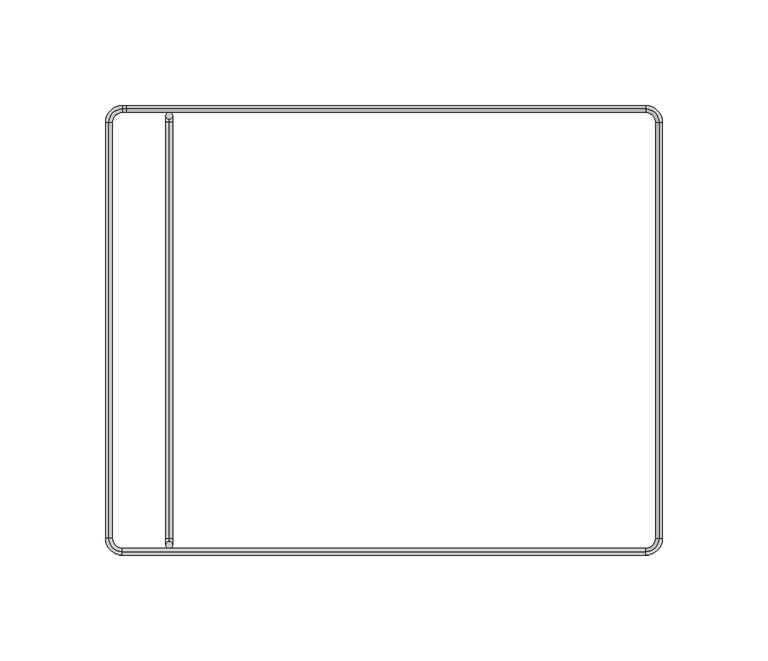
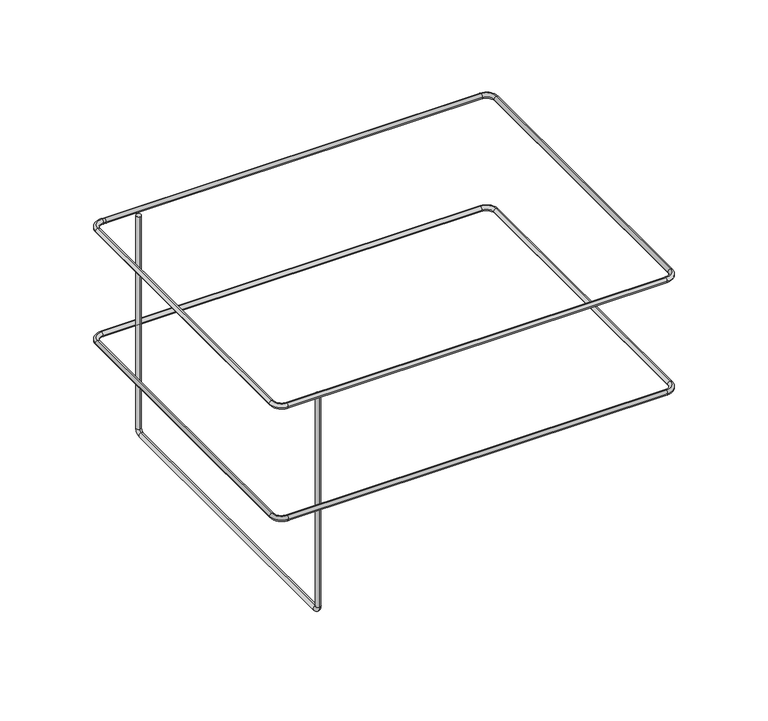
"""IFC4 building model written with IfcOpenShell, lengths in millimetres: furniture geometry."""

import ifcopenshell
import ifcopenshell.guid

model = None  # the IFC model being written
_history = None  # IfcOwnerHistory: only IFC2X3 demands one
_inside = {}  # id of a spatial element -> (the spatial element, [elements in it])
_under = {}  # id of a project, library or spatial element -> (it, [spatial elements below it])
_declared = {}  # id of a project -> (the project, [libraries it declares])
_typed = {}  # id of a type object -> (the type object, [elements of that type])
_made_of = {}  # id of a material, layer set ... -> (it, [elements and type objects made of it])


def new_model(schema):
    """Start an empty IFC model of exactly this schema.

    Asked for "IFC4X3", IfcOpenShell would pick the latest addendum, in which some entities
    have other attributes; the version numbers below select the first issue.
    IFC2X3 requires an IfcOwnerHistory on every rooted entity: one is made here for all.
    """
    global model, _history
    if schema == "IFC4X3":
        model = ifcopenshell.file(schema_version=(4, 3, 0, 0))
    else:
        model = ifcopenshell.file(schema=schema)
    _inside.clear()
    _under.clear()
    _declared.clear()
    _typed.clear()
    _made_of.clear()
    _history = None
    if model.schema == "IFC2X3":
        org = make("IfcOrganization", Name="unknown")
        user = make(
            "IfcPersonAndOrganization",
            ThePerson=make("IfcPerson", FamilyName="unknown"),
            TheOrganization=org,
        )
        app = make(
            "IfcApplication",
            ApplicationDeveloper=org,
            Version="unknown",
            ApplicationFullName="unknown",
            ApplicationIdentifier="unknown",
        )
        _history = make(
            "IfcOwnerHistory",
            OwningUser=user,
            OwningApplication=app,
            ChangeAction="ADDED",
            CreationDate=0,
        )
    return model


def make(cls, **values):
    """One entity of the class cls with the attributes given. An attribute that is None is left unset."""
    return model.create_entity(
        cls, **{name: value for name, value in values.items() if value is not None}
    )


def rooted(cls, **values):
    """An entity with a GlobalId (a new one), such as an element, a storey or a relation."""
    return make(cls, GlobalId=ifcopenshell.guid.new(), OwnerHistory=_history, **values)


def si_unit(unit_type, name, prefix=None):
    """IfcSIUnit, for example si_unit("LENGTHUNIT", "METRE", prefix="MILLI")."""
    return make("IfcSIUnit", UnitType=unit_type, Prefix=prefix, Name=name)


def assignment(units):
    """IfcUnitAssignment: the units of a project."""
    return None if units is None else make("IfcUnitAssignment", Units=units)


def point(xyz):
    """IfcCartesianPoint."""
    return None if xyz is None else make("IfcCartesianPoint", Coordinates=xyz)


def direction(xyz):
    """IfcDirection."""
    return None if xyz is None else make("IfcDirection", DirectionRatios=xyz)


def frame(location, z_axis=None, x_axis=None):
    """IfcAxis2Placement3D, a coordinate frame: its origin and axes. An axis left out is left unset."""
    return make(
        "IfcAxis2Placement3D",
        Location=point(location),
        Axis=direction(z_axis),
        RefDirection=direction(x_axis),
    )


def origin():
    """The frame at (0, 0, 0) with its axes left unset."""
    return frame((0.0, 0.0, 0.0))


def place(relative_to, where):
    """IfcLocalPlacement: puts the frame where relative to a parent placement (None: the world)."""
    return make(
        "IfcLocalPlacement", PlacementRelTo=relative_to, RelativePlacement=where
    )


def context(
    kind, dimensions, precision=None, world=None, true_north=None, identifier=None
):
    """IfcGeometricRepresentationContext, for example the 3D "Model" context."""
    return make(
        "IfcGeometricRepresentationContext",
        ContextIdentifier=identifier,
        ContextType=kind,
        CoordinateSpaceDimension=dimensions,
        Precision=precision,
        WorldCoordinateSystem=world,
        TrueNorth=true_north,
    )


def project(units=None, contexts=None):
    """IfcProject with its units and contexts."""
    return rooted(
        "IfcProject",
        Name="project",
        RepresentationContexts=contexts,
        UnitsInContext=assignment(units),
    )


def spatial(cls, under=None, at=None, **own):
    """A site, building, storey or space (cls), placed at a placement, below another one or the project."""
    s = rooted(cls, ObjectPlacement=at, **own)
    if under is not None:
        _under.setdefault(under.id(), (under, []))[1].append(s)
    return s


def circle_curve(where, radius):
    """IfcCircle in the frame where."""
    return make("IfcCircle", Position=where, Radius=radius)


def ellipse_curve(where, semi_axis1, semi_axis2):
    """IfcEllipse in the frame where."""
    return make(
        "IfcEllipse", Position=where, SemiAxis1=semi_axis1, SemiAxis2=semi_axis2
    )


def trimmed(basis, trim1, trim2, sense, master):
    """IfcTrimmedCurve: the piece of a basis curve between two trims."""
    return make(
        "IfcTrimmedCurve",
        BasisCurve=basis,
        Trim1=trim1,
        Trim2=trim2,
        SenseAgreement=sense,
        MasterRepresentation=master,
    )


def shape(context_of_items, identifier, shape_type, items):
    """IfcShapeRepresentation: the items that make up one representation, for example the "Body"."""
    return make(
        "IfcShapeRepresentation",
        ContextOfItems=context_of_items,
        RepresentationIdentifier=identifier,
        RepresentationType=shape_type,
        Items=items,
    )


def source(mapping_origin, context_of_items, identifier, shape_type, items):
    """IfcRepresentationMap: a shape defined once, which mapped items show again and again."""
    return make(
        "IfcRepresentationMap",
        MappingOrigin=mapping_origin,
        MappedRepresentation=shape(context_of_items, identifier, shape_type, items),
    )


def transform(
    local_origin,
    x_axis=None,
    y_axis=None,
    z_axis=None,
    scale=None,
    scale2=None,
    scale3=None,
    uniform=True,
):
    """IfcCartesianTransformationOperator3D, or its non-uniform kind. x_axis, y_axis, z_axis: its Axis1, 2, 3."""
    if uniform:
        return make(
            "IfcCartesianTransformationOperator3D",
            Axis1=direction(x_axis),
            Axis2=direction(y_axis),
            LocalOrigin=point(local_origin),
            Scale=scale,
            Axis3=direction(z_axis),
        )
    return make(
        "IfcCartesianTransformationOperator3DnonUniform",
        Axis1=direction(x_axis),
        Axis2=direction(y_axis),
        LocalOrigin=point(local_origin),
        Scale=scale,
        Axis3=direction(z_axis),
        Scale2=scale2,
        Scale3=scale3,
    )


def mapped(mapping_source, mapping_target):
    """IfcMappedItem: shows the shape of a source again, moved by a transform."""
    return make(
        "IfcMappedItem", MappingSource=mapping_source, MappingTarget=mapping_target
    )


def made_of(thing, what):
    """Note that an element or type object is made of a material, layer set ...; save() writes the relation."""
    if what is not None:
        _made_of.setdefault(what.id(), (what, []))[1].append(thing)
    return thing


def element(
    cls,
    number,
    at=None,
    inside=None,
    cuts=None,
    type_object=None,
    material=None,
    context=None,
    identifier="Body",
    shape_type=None,
    held_by="IfcProductDefinitionShape",
    body=None,
    shapes=None,
    **own,
):
    """One element of the class cls, such as IfcWall. Its Tag is "e" and its number.

    at: its placement. inside: the storey or other place that contains it. cuts: it is an
    opening in that element (IfcRelVoidsElement). A single representation is given by context,
    identifier, shape_type and body (its items); several are given by shapes. held_by: the class
    of the entity that holds the representations. save() writes the other relations.
    """
    e = rooted(cls, Tag="e%d" % number, ObjectPlacement=at, **own)
    if body is not None:
        shapes = [shape(context, identifier, shape_type, body)]
    if shapes is not None:
        e.Representation = make(held_by, Representations=shapes)
    if inside is not None:
        _inside.setdefault(inside.id(), (inside, []))[1].append(e)
    if cuts is not None:
        rooted(
            "IfcRelVoidsElement", RelatingBuildingElement=cuts, RelatedOpeningElement=e
        )
    if type_object is not None:
        _typed.setdefault(type_object.id(), (type_object, []))[1].append(e)
    return made_of(e, material)


def aggregate(whole, parts):
    """IfcRelAggregates: a whole, such as a stair, and the parts it consists of."""
    return rooted("IfcRelAggregates", RelatingObject=whole, RelatedObjects=parts)


def save(model, path):
    """Write the relations noted so far, then the file.

    IfcRelAggregates (storeys below a building ...), IfcRelContainedInSpatialStructure (elements
    in a storey), IfcRelDefinesByType, IfcRelAssociatesMaterial and IfcRelDeclares: one each for
    every whole, place, type object, material and project.
    """
    for whole, parts in _under.values():
        aggregate(whole, parts)
    for where, things in _inside.values():
        rooted(
            "IfcRelContainedInSpatialStructure",
            RelatedElements=things,
            RelatingStructure=where,
        )
    for kind, things in _typed.values():
        rooted("IfcRelDefinesByType", RelatedObjects=things, RelatingType=kind)
    for what, things in _made_of.values():
        rooted("IfcRelAssociatesMaterial", RelatedObjects=things, RelatingMaterial=what)
    for by, libraries in _declared.values():
        rooted("IfcRelDeclares", RelatingContext=by, RelatedDefinitions=libraries)
    model.write(path)


def plane_surface(at):
    """IfcPlane: the flat surface through the origin of the frame at, square to its z axis."""
    return make("IfcPlane", Position=at)


def cylinder_surface(at, radius):
    """IfcCylindricalSurface: all points at the distance radius from the z axis of the frame at."""
    return make("IfcCylindricalSurface", Position=at, Radius=radius)


def revolved_surface(curve, axis_point, axis_direction):
    """IfcSurfaceOfRevolution: the curve turned about the line through axis_point along axis_direction."""
    return make(
        "IfcSurfaceOfRevolution",
        SweptCurve=make("IfcArbitraryOpenProfileDef", ProfileType="CURVE", Curve=curve),
        AxisPosition=make("IfcAxis1Placement", Location=point(axis_point), Axis=direction(axis_direction)),
    )


def advanced_brep(points, edges, surfaces, faces):
    """IfcAdvancedBrep: a solid bounded by faces that lie on surfaces and meet in shared edges.

    An edge is (start, end): straight between two places in points (the first is 0);
    or (start, end, curve); or (start, end, curve, False) where it runs against its curve.
    A face is (place in surfaces, loops), or (place, loops, False) where it looks against
    its surface's normal. A loop lists edges by number (the first is 1), with a minus sign
    where the edge is run from its end to its start. The first loop is the outer one.
    """
    corners = [point(p) for p in points]
    vertices = [make("IfcVertexPoint", VertexGeometry=c) for c in corners]
    made = []
    for start, end, *more in edges:
        made.append(
            make(
                "IfcEdgeCurve",
                EdgeStart=vertices[start],
                EdgeEnd=vertices[end],
                EdgeGeometry=more[0] if more else make("IfcPolyline", Points=[corners[start], corners[end]]),
                SameSense=more[1] if len(more) > 1 else True,
            )
        )
    hull = []
    for where, loops, *sense in faces:
        bounds = []
        for j, loop in enumerate(loops):
            ring = [make("IfcOrientedEdge", EdgeElement=made[abs(k) - 1], Orientation=k > 0) for k in loop]
            bounds.append(
                make(
                    "IfcFaceOuterBound" if j == 0 else "IfcFaceBound",
                    Bound=make("IfcEdgeLoop", EdgeList=ring),
                    Orientation=True,
                )
            )
        hull.append(make("IfcAdvancedFace", Bounds=bounds, FaceSurface=surfaces[where], SameSense=sense[0] if sense else True))
    return make("IfcAdvancedBrep", Outer=make("IfcClosedShell", CfsFaces=hull))


def furniture_e32d145b(model_context):
    return source(origin(), model_context, "Body", "AdvancedBrep", [
        advanced_brep(
        [(-101.65588, -144.3898724, 1207.8866133), (-101.65588, -141.2148724, 1207.8866133), (-101.65588, 61.9851276, 1207.8866133), (-101.65588, 58.8101276, 1207.8866133), (-101.65588, -144.3898724, 1061.0687167), (-101.65588, -141.2148724, 1061.0687167), (-101.65588, -139.6273724, 1059.4812167), (-101.65588, -139.6273724, 1056.3062167), (-101.65588, 57.2226276, 1056.3062167), (-101.65588, 57.2226276, 1059.4812167), (-101.65588, 58.8101276, 1061.0687167), (-101.65588, 61.9851276, 1061.0687167)],
        [
            (0, 1, circle_curve(frame((-101.65588, -142.8023724, 1207.8866133), z_axis=(0.0, 0.0, 1.0), x_axis=(1.0, 0.0, 0.0)), 1.5875)),
            (1, 0, circle_curve(frame((-101.65588, -142.8023724, 1207.8866133), z_axis=(0.0, 0.0, 1.0), x_axis=(1.0, 0.0, 0.0)), 1.5875)),
            (2, 3, circle_curve(frame((-101.65588, 60.3976276, 1207.8866133), z_axis=(0.0, 0.0, 1.0), x_axis=(1.0, 0.0, 0.0)), 1.5875)),
            (3, 2, circle_curve(frame((-101.65588, 60.3976276, 1207.8866133), z_axis=(0.0, 0.0, 1.0), x_axis=(1.0, 0.0, 0.0)), 1.5875)),
            (0, 4),
            (4, 5, circle_curve(frame((-101.65588, -142.8023724, 1061.0687167), z_axis=(0.0, 0.0, 1.0), x_axis=(1.0, 0.0, 0.0)), 1.5875)),
            (5, 1),
            (5, 4, circle_curve(frame((-101.65588, -142.8023724, 1061.0687167), z_axis=(0.0, 0.0, 1.0), x_axis=(1.0, 0.0, 0.0)), 1.5875)),
            (6, 7, circle_curve(frame((-101.65588, -139.6273724, 1057.8937167), z_axis=(0.0, 1.0, 0.0), x_axis=(1.0, 0.0, 0.0)), 1.5875)),
            (7, 8),
            (8, 9, circle_curve(frame((-101.65588, 57.2226276, 1057.8937167), z_axis=(0.0, -1.0, 0.0), x_axis=(1.0, 0.0, 0.0)), 1.5875)),
            (9, 6),
            (7, 6, circle_curve(frame((-101.65588, -139.6273724, 1057.8937167), z_axis=(0.0, 1.0, 0.0), x_axis=(1.0, 0.0, 0.0)), 1.5875)),
            (9, 8, circle_curve(frame((-101.65588, 57.2226276, 1057.8937167), z_axis=(0.0, -1.0, 0.0), x_axis=(1.0, 0.0, 0.0)), 1.5875)),
            (10, 11, circle_curve(frame((-101.65588, 60.3976276, 1061.0687167), z_axis=(0.0, 0.0, 1.0), x_axis=(1.0, 0.0, 0.0)), 1.5875)),
            (11, 2),
            (3, 10),
            (11, 10, circle_curve(frame((-101.65588, 60.3976276, 1061.0687167), z_axis=(0.0, 0.0, 1.0), x_axis=(1.0, 0.0, 0.0)), 1.5875)),
            (6, 5, circle_curve(frame((-101.65588, -139.6273724, 1061.0687167), z_axis=(-1.0, 0.0, 0.0), x_axis=(0.0, -1.0, 0.0)), 1.5875)),
            (4, 7, circle_curve(frame((-101.65588, -139.6273724, 1061.0687167), z_axis=(1.0, 0.0, 0.0), x_axis=(0.0, -1.0, 0.0)), 4.7625)),
            (10, 9, circle_curve(frame((-101.65588, 57.2226276, 1061.0687167), z_axis=(-1.0, 0.0, 0.0), x_axis=(0.0, 0.0, -1.0)), 1.5875)),
            (8, 11, circle_curve(frame((-101.65588, 57.2226276, 1061.0687167), z_axis=(1.0, 0.0, 0.0), x_axis=(0.0, 0.0, -1.0)), 4.7625)),
        ],
        [
            plane_surface(frame((-101.65588, -144.3898724, 1207.8866133), z_axis=(0.0, 0.0, 1.0), x_axis=(1.0, 0.0, 0.0))),
            plane_surface(frame((-101.65588, 61.9851276, 1207.8866133), z_axis=(0.0, 0.0, 1.0), x_axis=(1.0, 0.0, 0.0))),
            cylinder_surface(frame((-101.65588, -142.8023724, 1207.8866133), z_axis=(0.0, 0.0, 1.0), x_axis=(1.0, 0.0, 0.0)), 1.5875),
            cylinder_surface(frame((-101.65588, -139.6273724, 1057.8937167), z_axis=(0.0, -1.0, 0.0), x_axis=(1.0, 0.0, 0.0)), 1.5875),
            cylinder_surface(frame((-101.65588, 60.3976276, 1061.0687167), z_axis=(0.0, 0.0, -1.0), x_axis=(1.0, 0.0, 0.0)), 1.5875),
            revolved_surface(trimmed(ellipse_curve(frame((-101.65588, -142.8023724, 1061.0687167), z_axis=(0.0, 0.0, 1.0), x_axis=(1.0, 0.0, 0.0)), 1.5875, 1.5875), [point((-101.65588, -144.3898724, 1061.0687167))], [point((-101.65588, -141.2148724, 1061.0687167))], True, "CARTESIAN"), (-101.65588, -139.6273724, 1061.0687167), (1.0, 0.0, 0.0)),
            revolved_surface(trimmed(ellipse_curve(frame((-101.65588, -142.8023724, 1061.0687167), z_axis=(0.0, 0.0, 1.0), x_axis=(1.0, 0.0, 0.0)), 1.5875, 1.5875), [point((-101.65588, -141.2148724, 1061.0687167))], [point((-101.65588, -144.3898724, 1061.0687167))], True, "CARTESIAN"), (-101.65588, -139.6273724, 1061.0687167), (1.0, 0.0, 0.0)),
            revolved_surface(trimmed(ellipse_curve(frame((-101.65588, 57.2226276, 1057.8937167), z_axis=(0.0, -1.0, 0.0), x_axis=(1.0, 0.0, 0.0)), 1.5875, 1.5875), [point((-101.65588, 57.2226276, 1056.3062167))], [point((-101.65588, 57.2226276, 1059.4812167))], True, "CARTESIAN"), (-101.65588, 57.2226276, 1061.0687167), (1.0, 0.0, 0.0)),
            revolved_surface(trimmed(ellipse_curve(frame((-101.65588, 57.2226276, 1057.8937167), z_axis=(0.0, -1.0, 0.0), x_axis=(1.0, 0.0, 0.0)), 1.5875, 1.5875), [point((-101.65588, 57.2226276, 1059.4812167))], [point((-101.65588, 57.2226276, 1056.3062167))], True, "CARTESIAN"), (-101.65588, 57.2226276, 1061.0687167), (1.0, 0.0, 0.0)),
        ],
        [
            (0, [[1, 2]]),
            (1, [[3, 4]]),
            (2, [[-1, 5, 6, 7]]),
            (2, [[-2, -7, 8, -5]]),
            (3, [[9, 10, 11, 12]]),
            (3, [[13, -12, 14, -10]]),
            (4, [[15, 16, -4, 17]]),
            (4, [[18, -17, -3, -16]]),
            (5, [[19, -6, 20, -9]]),
            (6, [[-20, -8, -19, -13]]),
            (7, [[21, -11, 22, -15]]),
            (8, [[-22, -14, -21, -18]]),
        ],
    ),
        advanced_brep(
        [(-128.5874788, 57.2226246, 1131.6995506), (-130.1749894, 57.2226259, 1133.2874934), (-130.1749894, -139.627372, 1133.2874934), (-128.5874788, -139.627372, 1131.6995506), (-130.1749894, 57.2226259, 1130.11204), (-130.1749894, -139.627372, 1130.11204), (-131.7625, 57.2226272, 1131.6997667), (-131.7625, -139.627372, 1131.6997667), (-123.8249957, -144.3898512, 1131.6995506), (-123.8249943, -145.9773618, 1133.2874934), (-123.8249943, -145.9773618, 1130.11204), (-123.824993, -147.5648724, 1131.6997667), (123.825, -145.9773618, 1133.2874934), (123.825, -144.3898512, 1131.6995506), (123.825, -145.9773618, 1130.11204), (123.825, -147.5648724, 1131.6997667), (128.5874788, -139.6273722, 1131.6995506), (130.1749894, -139.6273721, 1133.2874934), (130.1749894, -139.6273721, 1130.11204), (131.7625, -139.627372, 1131.6997667), (130.1749894, 57.2226272, 1133.2874934), (128.5874788, 57.2226272, 1131.6995506), (130.1749894, 57.2226272, 1130.11204), (131.7625, 57.2226272, 1131.6997667), (123.8249998, 61.9851064, 1131.6995506), (123.8249999, 63.572617, 1133.2874934), (123.8249999, 63.572617, 1130.11204), (123.825, 65.1601276, 1131.6997667), (-123.824993, 63.572617, 1133.2874934), (-123.824993, 61.9851064, 1131.6995506), (-123.824993, 63.572617, 1130.11204), (-123.824993, 65.1601276, 1131.6997667)],
        [
            (0, 1, circle_curve(frame((-130.1749894, 57.2226259, 1131.6999827), z_axis=(-8.312221632225338e-07, -0.9999999999996545, 0.0), x_axis=(0.9999999999996545, -8.312221632225338e-07, 0.0)), 1.5875107)),
            (1, 2),
            (2, 3, circle_curve(frame((-130.1749894, -139.627372, 1131.6999827), z_axis=(0.0, 1.0, 0.0), x_axis=(1.0, 0.0, 0.0)), 1.5875107)),
            (3, 0),
            (4, 0, circle_curve(frame((-130.1749894, 57.2226259, 1131.6995506), z_axis=(-8.312221641107122e-07, -0.9999999999996545, 0.0), x_axis=(0.9999999999996545, -8.312221641107122e-07, 0.0)), 1.5875106)),
            (3, 5, circle_curve(frame((-130.1749894, -139.627372, 1131.6995506), z_axis=(0.0, 1.0, 0.0), x_axis=(1.0, 0.0, 0.0)), 1.5875106)),
            (5, 4),
            (6, 4, circle_curve(frame((-130.1749276, 57.2226259, 1131.6996124), z_axis=(-8.31222163666623e-07, -0.9999999999996545, 0.0), x_axis=(0.9999999999996545, -8.31222163666623e-07, 0.0)), 1.5875724)),
            (5, 7, circle_curve(frame((-130.1749276, -139.627372, 1131.6996124), z_axis=(0.0, 1.0, 0.0), x_axis=(1.0, 0.0, 0.0)), 1.5875724)),
            (7, 6),
            (1, 6, circle_curve(frame((-130.1749894, 57.2226259, 1131.6999827), z_axis=(-8.312221641107122e-07, -0.9999999999996545, 0.0), x_axis=(0.9999999999996545, -8.312221641107122e-07, 0.0)), 1.5875106)),
            (7, 2, circle_curve(frame((-130.1749894, -139.627372, 1131.6999827), z_axis=(0.0, 1.0, 0.0), x_axis=(1.0, 0.0, 0.0)), 1.5875106)),
            (8, 3, circle_curve(frame((-123.8249996, -139.627372, 1131.6995506), z_axis=(0.0, 0.0, -1.0), x_axis=(-1.0, 0.0, 0.0)), 4.7624791)),
            (2, 9, circle_curve(frame((-123.8249996, -139.627372, 1133.2874934), z_axis=(0.0, 0.0, 1.0), x_axis=(-1.0, 0.0, 0.0)), 6.3499898)),
            (9, 8, circle_curve(frame((-123.8249943, -145.9773618, 1131.6999827), z_axis=(-0.9999999999996545, -8.312220439004639e-07, 0.0), x_axis=(-8.312220439004639e-07, 0.9999999999996545, 0.0)), 1.5875107)),
            (10, 5, circle_curve(frame((-123.8249996, -139.627372, 1130.11204), z_axis=(0.0, 0.0, -1.0), x_axis=(-1.0, 0.0, 0.0)), 6.3499898)),
            (8, 10, circle_curve(frame((-123.8249943, -145.9773618, 1131.6995506), z_axis=(-0.9999999999996545, -8.312220416800178e-07, 0.0), x_axis=(-8.312220416800178e-07, 0.9999999999996545, 0.0)), 1.5875106)),
            (11, 7, circle_curve(frame((-123.8249996, -139.627372, 1131.6997667), z_axis=(0.0, 0.0, -1.0), x_axis=(-1.0, 0.0, 0.0)), 7.9375004)),
            (10, 11, circle_curve(frame((-123.8249943, -145.9773, 1131.6996124), z_axis=(-0.9999999999996545, -8.312220439004639e-07, 0.0), x_axis=(-8.312220439004639e-07, 0.9999999999996545, 0.0)), 1.5875724)),
            (11, 9, circle_curve(frame((-123.8249943, -145.9773618, 1131.6999827), z_axis=(-0.9999999999996545, -8.312220452327315e-07, 0.0), x_axis=(-8.312220452327315e-07, 0.9999999999996545, 0.0)), 1.5875106)),
            (9, 12),
            (12, 13, circle_curve(frame((123.825, -145.9773618, 1131.6999827), z_axis=(-1.0, 0.0, 0.0), x_axis=(0.0, 1.0, 0.0)), 1.5875107)),
            (13, 8),
            (13, 14, circle_curve(frame((123.825, -145.9773618, 1131.6995506), z_axis=(-1.0, 0.0, 0.0), x_axis=(0.0, 1.0, 0.0)), 1.5875106)),
            (14, 10),
            (14, 15, circle_curve(frame((123.825, -145.9773, 1131.6996124), z_axis=(-1.0, 0.0, 0.0), x_axis=(0.0, 1.0, 0.0)), 1.5875724)),
            (15, 11),
            (15, 12, circle_curve(frame((123.825, -145.9773618, 1131.6999827), z_axis=(-1.0, 0.0, 0.0), x_axis=(0.0, 1.0, 0.0)), 1.5875106)),
            (16, 13, circle_curve(frame((123.825, -139.6273724, 1131.6995506), z_axis=(0.0, 0.0, -1.0), x_axis=(0.0, -1.0, 0.0)), 4.7624788)),
            (12, 17, circle_curve(frame((123.825, -139.6273724, 1133.2874934), z_axis=(0.0, 0.0, 1.0), x_axis=(0.0, -1.0, 0.0)), 6.3499894)),
            (17, 16, circle_curve(frame((130.1749894, -139.6273721, 1131.6999827), z_axis=(4.7683828885425315e-08, -0.9999999999999989, 0.0), x_axis=(-0.9999999999999989, -4.7683828885425315e-08, 0.0)), 1.5875107)),
            (18, 14, circle_curve(frame((123.825, -139.6273724, 1130.11204), z_axis=(0.0, 0.0, -1.0), x_axis=(0.0, -1.0, 0.0)), 6.3499894)),
            (16, 18, circle_curve(frame((130.1749894, -139.6273721, 1131.6995506), z_axis=(4.768383132791597e-08, -0.9999999999999989, 0.0), x_axis=(-0.9999999999999989, -4.768383132791597e-08, 0.0)), 1.5875106)),
            (19, 15, circle_curve(frame((123.825, -139.6273724, 1131.6997667), z_axis=(0.0, 0.0, -1.0), x_axis=(0.0, -1.0, 0.0)), 7.9375)),
            (18, 19, circle_curve(frame((130.1749276, -139.6273721, 1131.6996124), z_axis=(4.7683828885425315e-08, -0.9999999999999989, 0.0), x_axis=(-0.9999999999999989, -4.7683828885425315e-08, 0.0)), 1.5875724)),
            (19, 17, circle_curve(frame((130.1749894, -139.6273721, 1131.6999827), z_axis=(4.7683827553157685e-08, -0.9999999999999989, 0.0), x_axis=(-0.9999999999999989, -4.7683827553157685e-08, 0.0)), 1.5875106)),
            (17, 20),
            (20, 21, circle_curve(frame((130.1749894, 57.2226272, 1131.6999827), z_axis=(0.0, -1.0, 0.0), x_axis=(-1.0, 0.0, 0.0)), 1.5875107)),
            (21, 16),
            (21, 22, circle_curve(frame((130.1749894, 57.2226272, 1131.6995506), z_axis=(0.0, -1.0, 0.0), x_axis=(-1.0, 0.0, 0.0)), 1.5875106)),
            (22, 18),
            (22, 23, circle_curve(frame((130.1749276, 57.2226272, 1131.6996124), z_axis=(0.0, -1.0, 0.0), x_axis=(-1.0, 0.0, 0.0)), 1.5875724)),
            (23, 19),
            (23, 20, circle_curve(frame((130.1749894, 57.2226272, 1131.6999827), z_axis=(0.0, -1.0, 0.0), x_axis=(-1.0, 0.0, 0.0)), 1.5875106)),
            (24, 21, circle_curve(frame((123.8249996, 57.2226272, 1131.6995506), z_axis=(0.0, 0.0, -1.0), x_axis=(1.0, 0.0, 0.0)), 4.7624791)),
            (20, 25, circle_curve(frame((123.8249996, 57.2226272, 1133.2874934), z_axis=(0.0, 0.0, 1.0), x_axis=(1.0, 0.0, 0.0)), 6.3499898)),
            (25, 24, circle_curve(frame((123.8249999, 63.572617, 1131.6999827), z_axis=(0.9999999999999989, -4.7683705068652855e-08, 0.0), x_axis=(-4.7683705068652855e-08, -0.9999999999999989, 0.0)), 1.5875107)),
            (26, 22, circle_curve(frame((123.8249996, 57.2226272, 1130.11204), z_axis=(0.0, 0.0, -1.0), x_axis=(1.0, 0.0, 0.0)), 6.3499898)),
            (24, 26, circle_curve(frame((123.8249999, 63.572617, 1131.6995506), z_axis=(0.9999999999999989, -4.7683701960028386e-08, 0.0), x_axis=(-4.7683701960028386e-08, -0.9999999999999989, 0.0)), 1.5875106)),
            (27, 23, circle_curve(frame((123.8249996, 57.2226272, 1131.6997667), z_axis=(0.0, 0.0, -1.0), x_axis=(1.0, 0.0, 0.0)), 7.9375004)),
            (26, 27, circle_curve(frame((123.8249999, 63.5725552, 1131.6996124), z_axis=(0.9999999999999989, -4.7683705068652855e-08, 0.0), x_axis=(-4.7683705068652855e-08, -0.9999999999999989, 0.0)), 1.5875724)),
            (27, 25, circle_curve(frame((123.8249999, 63.572617, 1131.6999827), z_axis=(0.9999999999999989, -4.7683706845009694e-08, 0.0), x_axis=(-4.7683706845009694e-08, -0.9999999999999989, 0.0)), 1.5875106)),
            (25, 28),
            (28, 29, circle_curve(frame((-123.824993, 63.572617, 1131.6999827), z_axis=(1.0, 0.0, 0.0), x_axis=(0.0, -1.0, 0.0)), 1.5875107)),
            (29, 24),
            (29, 30, circle_curve(frame((-123.824993, 63.572617, 1131.6995506), z_axis=(1.0, 0.0, 0.0), x_axis=(0.0, -1.0, 0.0)), 1.5875106)),
            (30, 26),
            (30, 31, circle_curve(frame((-123.824993, 63.5725552, 1131.6996124), z_axis=(1.0, 0.0, 0.0), x_axis=(0.0, -1.0, 0.0)), 1.5875724)),
            (31, 27),
            (31, 28, circle_curve(frame((-123.824993, 63.572617, 1131.6999827), z_axis=(1.0, 0.0, 0.0), x_axis=(0.0, -1.0, 0.0)), 1.5875106)),
            (0, 29, circle_curve(frame((-123.824993, 57.2226206, 1131.6995506), z_axis=(0.0, 0.0, -1.0), x_axis=(0.0, 1.0, 0.0)), 4.7624857)),
            (28, 1, circle_curve(frame((-123.824993, 57.2226206, 1133.2874934), z_axis=(0.0, 0.0, 1.0), x_axis=(0.0, 1.0, 0.0)), 6.3499964)),
            (4, 30, circle_curve(frame((-123.824993, 57.2226206, 1130.11204), z_axis=(0.0, 0.0, -1.0), x_axis=(0.0, 1.0, 0.0)), 6.3499964)),
            (6, 31, circle_curve(frame((-123.824993, 57.2226206, 1131.6997667), z_axis=(0.0, 0.0, -1.0), x_axis=(0.0, 1.0, 0.0)), 7.937507)),
        ],
        [
            cylinder_surface(frame((-130.1749894, 57.2226272, 1131.6999827), z_axis=(0.0, 1.0, 0.0), x_axis=(1.0, 0.0, 0.0)), 1.5875107),
            cylinder_surface(frame((-130.1749894, 57.2226272, 1131.6995506), z_axis=(0.0, 1.0, 0.0), x_axis=(1.0, 0.0, 0.0)), 1.5875106),
            cylinder_surface(frame((-130.1749276, 57.2226272, 1131.6996124), z_axis=(0.0, 1.0, 0.0), x_axis=(1.0, 0.0, 0.0)), 1.5875724),
            cylinder_surface(frame((-130.1749894, 57.2226272, 1131.6999827), z_axis=(0.0, 1.0, 0.0), x_axis=(1.0, 0.0, 0.0)), 1.5875106),
            revolved_surface(trimmed(ellipse_curve(frame((-130.1749894, -139.627372, 1131.6999827), z_axis=(0.0, 1.0, 0.0), x_axis=(1.0, 0.0, 0.0)), 1.5875107, 1.5875107), [point((-130.1749894, -139.627372, 1133.2874934))], [point((-128.5874788, -139.627372, 1131.6995506))], True, "CARTESIAN"), (-123.8249996, -139.627372, 0.0), (0.0, 0.0, 1.0)),
            revolved_surface(trimmed(ellipse_curve(frame((-130.1749894, -139.627372, 1131.6995506), z_axis=(0.0, 1.0, 0.0), x_axis=(1.0, 0.0, 0.0)), 1.5875106, 1.5875106), [point((-128.5874788, -139.627372, 1131.6995506))], [point((-130.1749894, -139.627372, 1130.11204))], True, "CARTESIAN"), (-123.8249996, -139.627372, 0.0), (0.0, 0.0, 1.0)),
            revolved_surface(trimmed(ellipse_curve(frame((-130.1749276, -139.627372, 1131.6996124), z_axis=(0.0, 1.0, 0.0), x_axis=(1.0, 0.0, 0.0)), 1.5875724, 1.5875724), [point((-130.1749894, -139.627372, 1130.11204))], [point((-131.7625, -139.627372, 1131.6997667))], True, "CARTESIAN"), (-123.8249996, -139.627372, 0.0), (0.0, 0.0, 1.0)),
            revolved_surface(trimmed(ellipse_curve(frame((-130.1749894, -139.627372, 1131.6999827), z_axis=(0.0, 1.0, 0.0), x_axis=(1.0, 0.0, 0.0)), 1.5875106, 1.5875106), [point((-131.7625, -139.627372, 1131.6997667))], [point((-130.1749894, -139.627372, 1133.2874934))], True, "CARTESIAN"), (-123.8249996, -139.627372, 0.0), (0.0, 0.0, 1.0)),
            cylinder_surface(frame((-123.824993, -145.9773618, 1131.6999827), z_axis=(-1.0, 0.0, 0.0), x_axis=(0.0, 1.0, 0.0)), 1.5875107),
            cylinder_surface(frame((-123.824993, -145.9773618, 1131.6995506), z_axis=(-1.0, 0.0, 0.0), x_axis=(0.0, 1.0, 0.0)), 1.5875106),
            cylinder_surface(frame((-123.824993, -145.9773, 1131.6996124), z_axis=(-1.0, 0.0, 0.0), x_axis=(0.0, 1.0, 0.0)), 1.5875724),
            cylinder_surface(frame((-123.824993, -145.9773618, 1131.6999827), z_axis=(-1.0, 0.0, 0.0), x_axis=(0.0, 1.0, 0.0)), 1.5875106),
            revolved_surface(trimmed(ellipse_curve(frame((123.825, -145.9773618, 1131.6999827), z_axis=(-1.0, 0.0, 0.0), x_axis=(0.0, 1.0, 0.0)), 1.5875107, 1.5875107), [point((123.825, -145.9773618, 1133.2874934))], [point((123.825, -144.3898512, 1131.6995506))], True, "CARTESIAN"), (123.825, -139.6273724, 0.0), (0.0, 0.0, 1.0)),
            revolved_surface(trimmed(ellipse_curve(frame((123.825, -145.9773618, 1131.6995506), z_axis=(-1.0, 0.0, 0.0), x_axis=(0.0, 1.0, 0.0)), 1.5875106, 1.5875106), [point((123.825, -144.3898512, 1131.6995506))], [point((123.825, -145.9773618, 1130.11204))], True, "CARTESIAN"), (123.825, -139.6273724, 0.0), (0.0, 0.0, 1.0)),
            revolved_surface(trimmed(ellipse_curve(frame((123.825, -145.9773, 1131.6996124), z_axis=(-1.0, 0.0, 0.0), x_axis=(0.0, 1.0, 0.0)), 1.5875724, 1.5875724), [point((123.825, -145.9773618, 1130.11204))], [point((123.825, -147.5648724, 1131.6997667))], True, "CARTESIAN"), (123.825, -139.6273724, 0.0), (0.0, 0.0, 1.0)),
            revolved_surface(trimmed(ellipse_curve(frame((123.825, -145.9773618, 1131.6999827), z_axis=(-1.0, 0.0, 0.0), x_axis=(0.0, 1.0, 0.0)), 1.5875106, 1.5875106), [point((123.825, -147.5648724, 1131.6997667))], [point((123.825, -145.9773618, 1133.2874934))], True, "CARTESIAN"), (123.825, -139.6273724, 0.0), (0.0, 0.0, 1.0)),
            cylinder_surface(frame((130.1749894, -139.627372, 1131.6999827), z_axis=(0.0, -1.0, 0.0), x_axis=(-1.0, 0.0, 0.0)), 1.5875107),
            cylinder_surface(frame((130.1749894, -139.627372, 1131.6995506), z_axis=(0.0, -1.0, 0.0), x_axis=(-1.0, 0.0, 0.0)), 1.5875106),
            cylinder_surface(frame((130.1749276, -139.627372, 1131.6996124), z_axis=(0.0, -1.0, 0.0), x_axis=(-1.0, 0.0, 0.0)), 1.5875724),
            cylinder_surface(frame((130.1749894, -139.627372, 1131.6999827), z_axis=(0.0, -1.0, 0.0), x_axis=(-1.0, 0.0, 0.0)), 1.5875106),
            revolved_surface(trimmed(ellipse_curve(frame((130.1749894, 57.2226272, 1131.6999827), z_axis=(0.0, -1.0, 0.0), x_axis=(-1.0, 0.0, 0.0)), 1.5875107, 1.5875107), [point((130.1749894, 57.2226272, 1133.2874934))], [point((128.5874788, 57.2226272, 1131.6995506))], True, "CARTESIAN"), (123.8249996, 57.2226272, 0.0), (0.0, 0.0, 1.0)),
            revolved_surface(trimmed(ellipse_curve(frame((130.1749894, 57.2226272, 1131.6995506), z_axis=(0.0, -1.0, 0.0), x_axis=(-1.0, 0.0, 0.0)), 1.5875106, 1.5875106), [point((128.5874788, 57.2226272, 1131.6995506))], [point((130.1749894, 57.2226272, 1130.11204))], True, "CARTESIAN"), (123.8249996, 57.2226272, 0.0), (0.0, 0.0, 1.0)),
            revolved_surface(trimmed(ellipse_curve(frame((130.1749276, 57.2226272, 1131.6996124), z_axis=(0.0, -1.0, 0.0), x_axis=(-1.0, 0.0, 0.0)), 1.5875724, 1.5875724), [point((130.1749894, 57.2226272, 1130.11204))], [point((131.7625, 57.2226272, 1131.6997667))], True, "CARTESIAN"), (123.8249996, 57.2226272, 0.0), (0.0, 0.0, 1.0)),
            revolved_surface(trimmed(ellipse_curve(frame((130.1749894, 57.2226272, 1131.6999827), z_axis=(0.0, -1.0, 0.0), x_axis=(-1.0, 0.0, 0.0)), 1.5875106, 1.5875106), [point((131.7625, 57.2226272, 1131.6997667))], [point((130.1749894, 57.2226272, 1133.2874934))], True, "CARTESIAN"), (123.8249996, 57.2226272, 0.0), (0.0, 0.0, 1.0)),
            cylinder_surface(frame((123.825, 63.572617, 1131.6999827), z_axis=(1.0, 0.0, 0.0), x_axis=(0.0, -1.0, 0.0)), 1.5875107),
            cylinder_surface(frame((123.825, 63.572617, 1131.6995506), z_axis=(1.0, 0.0, 0.0), x_axis=(0.0, -1.0, 0.0)), 1.5875106),
            cylinder_surface(frame((123.825, 63.5725552, 1131.6996124), z_axis=(1.0, 0.0, 0.0), x_axis=(0.0, -1.0, 0.0)), 1.5875724),
            cylinder_surface(frame((123.825, 63.572617, 1131.6999827), z_axis=(1.0, 0.0, 0.0), x_axis=(0.0, -1.0, 0.0)), 1.5875106),
            revolved_surface(trimmed(ellipse_curve(frame((-123.824993, 63.572617, 1131.6999827), z_axis=(1.0, 0.0, 0.0), x_axis=(0.0, -1.0, 0.0)), 1.5875107, 1.5875107), [point((-123.824993, 63.572617, 1133.2874934))], [point((-123.824993, 61.9851064, 1131.6995506))], True, "CARTESIAN"), (-123.824993, 57.2226206, 0.0), (0.0, 0.0, 1.0)),
            revolved_surface(trimmed(ellipse_curve(frame((-123.824993, 63.572617, 1131.6995506), z_axis=(1.0, 0.0, 0.0), x_axis=(0.0, -1.0, 0.0)), 1.5875106, 1.5875106), [point((-123.824993, 61.9851064, 1131.6995506))], [point((-123.824993, 63.572617, 1130.11204))], True, "CARTESIAN"), (-123.824993, 57.2226206, 0.0), (0.0, 0.0, 1.0)),
            revolved_surface(trimmed(ellipse_curve(frame((-123.824993, 63.5725552, 1131.6996124), z_axis=(1.0, 0.0, 0.0), x_axis=(0.0, -1.0, 0.0)), 1.5875724, 1.5875724), [point((-123.824993, 63.572617, 1130.11204))], [point((-123.824993, 65.1601276, 1131.6997667))], True, "CARTESIAN"), (-123.824993, 57.2226206, 0.0), (0.0, 0.0, 1.0)),
            revolved_surface(trimmed(ellipse_curve(frame((-123.824993, 63.572617, 1131.6999827), z_axis=(1.0, 0.0, 0.0), x_axis=(0.0, -1.0, 0.0)), 1.5875106, 1.5875106), [point((-123.824993, 65.1601276, 1131.6997667))], [point((-123.824993, 63.572617, 1133.2874934))], True, "CARTESIAN"), (-123.824993, 57.2226206, 0.0), (0.0, 0.0, 1.0)),
        ],
        [
            (0, [[1, 2, 3, 4]]),
            (1, [[5, -4, 6, 7]]),
            (2, [[8, -7, 9, 10]]),
            (3, [[11, -10, 12, -2]]),
            (4, [[13, -3, 14, 15]]),
            (5, [[16, -6, -13, 17]]),
            (6, [[18, -9, -16, 19]]),
            (7, [[-14, -12, -18, 20]]),
            (8, [[-15, 21, 22, 23]]),
            (9, [[-17, -23, 24, 25]]),
            (10, [[-19, -25, 26, 27]]),
            (11, [[-20, -27, 28, -21]]),
            (12, [[29, -22, 30, 31]]),
            (13, [[32, -24, -29, 33]]),
            (14, [[34, -26, -32, 35]]),
            (15, [[-30, -28, -34, 36]]),
            (16, [[-31, 37, 38, 39]]),
            (17, [[-33, -39, 40, 41]]),
            (18, [[-35, -41, 42, 43]]),
            (19, [[-36, -43, 44, -37]]),
            (20, [[45, -38, 46, 47]]),
            (21, [[48, -40, -45, 49]]),
            (22, [[50, -42, -48, 51]]),
            (23, [[-46, -44, -50, 52]]),
            (24, [[-47, 53, 54, 55]]),
            (25, [[-49, -55, 56, 57]]),
            (26, [[-51, -57, 58, 59]]),
            (27, [[-52, -59, 60, -53]]),
            (28, [[61, -54, 62, -1]]),
            (29, [[63, -56, -61, -5]]),
            (30, [[64, -58, -63, -8]]),
            (31, [[-62, -60, -64, -11]]),
        ],
    ),
        advanced_brep(
        [(-123.824993, 63.572617, 1211.0620667), (-130.1749894, 57.2226259, 1211.0620667), (-128.5874788, 57.2226246, 1209.47434), (-123.824993, 61.9851064, 1209.47434), (-123.824993, 65.1601276, 1209.47434), (-131.7625, 57.2226272, 1209.47434), (-123.824993, 63.572617, 1207.8866133), (-130.1749894, 57.2226259, 1207.8866133), (-122.0944273, 61.9851064, 1209.47434), (-122.0944273, 63.572617, 1211.0620667), (-122.0944273, 65.1601276, 1209.47434), (-122.0944273, 63.572617, 1207.8866133), (123.825, 61.9851064, 1209.47434), (123.8249999, 63.572617, 1211.0620667), (123.825, 65.1601276, 1209.47434), (123.8249999, 63.572617, 1207.8866133), (130.1749894, 57.2226272, 1211.0620667), (128.5874788, 57.2226272, 1209.47434), (131.7625, 57.2226272, 1209.47434), (130.1749894, 57.2226272, 1207.8866133), (128.5874788, -139.627372, 1209.47434), (130.1749894, -139.6273721, 1211.0620667), (131.7625, -139.627372, 1209.47434), (130.1749894, -139.6273721, 1207.8866133), (123.825, -145.9773618, 1211.0620667), (123.825, -144.3898512, 1209.47434), (123.825, -147.5648724, 1209.47434), (123.825, -145.9773618, 1207.8866133), (-123.824993, -144.3898512, 1209.47434), (-123.8249943, -145.9773618, 1211.0620667), (-123.824993, -147.5648724, 1209.47434), (-123.8249943, -145.9773618, 1207.8866133), (-130.1749894, -139.627372, 1211.0620667), (-128.5874788, -139.627372, 1209.47434), (-131.7625, -139.627372, 1209.47434), (-130.1749894, -139.627372, 1207.8866133)],
        [
            (0, 1, circle_curve(frame((-123.824993, 57.2226206, 1211.0620667), z_axis=(0.0, 0.0, 1.0), x_axis=(-0.9999999999996545, 8.312221558721771e-07, 0.0)), 6.3499964)),
            (1, 2, circle_curve(frame((-130.1749894, 57.2226259, 1209.474556), z_axis=(8.312221558721774e-07, 0.9999999999996545, 0.0), x_axis=(-0.9999999999996545, 8.312221558721774e-07, 0.0)), 1.5875106)),
            (2, 3, circle_curve(frame((-123.824993, 57.2226206, 1209.47434), z_axis=(0.0, 0.0, -1.0), x_axis=(-0.9999999999996545, 8.312221558721771e-07, 0.0)), 4.7624857)),
            (3, 0, circle_curve(frame((-123.824993, 63.572617, 1209.474556), z_axis=(-0.9999999999999999, 0.0, 0.0), x_axis=(0.0, 0.9999999999999999, 0.0)), 1.5875106)),
            (4, 5, circle_curve(frame((-123.824993, 57.2226206, 1209.47434), z_axis=(0.0, 0.0, 1.0), x_axis=(-0.9999999999996545, 8.312221558721771e-07, 0.0)), 7.937507)),
            (5, 1, circle_curve(frame((-130.1747733, 57.2226259, 1209.47434), z_axis=(8.312221558721774e-07, 0.9999999999996545, 0.0), x_axis=(-0.9999999999996545, 8.312221558721774e-07, 0.0)), 1.5877267)),
            (0, 4, circle_curve(frame((-123.824993, 63.5724009, 1209.47434), z_axis=(-0.9999999999999999, 0.0, 0.0), x_axis=(0.0, 0.9999999999999999, 0.0)), 1.5877267)),
            (6, 7, circle_curve(frame((-123.824993, 57.2226206, 1207.8866133), z_axis=(0.0, 0.0, 1.0), x_axis=(-0.9999999999996545, 8.312221558721771e-07, 0.0)), 6.3499964)),
            (7, 5, circle_curve(frame((-130.1749894, 57.2226259, 1209.474124), z_axis=(8.312221558721774e-07, 0.9999999999996545, 0.0), x_axis=(-0.9999999999996545, 8.312221558721774e-07, 0.0)), 1.5875106)),
            (4, 6, circle_curve(frame((-123.824993, 63.572617, 1209.474124), z_axis=(-0.9999999999999999, 0.0, 0.0), x_axis=(0.0, 0.9999999999999999, 0.0)), 1.5875106)),
            (2, 7, circle_curve(frame((-130.1749894, 57.2226259, 1209.474124), z_axis=(8.312221558721774e-07, 0.9999999999996545, 0.0), x_axis=(-0.9999999999996545, 8.312221558721774e-07, 0.0)), 1.5875106)),
            (6, 3, circle_curve(frame((-123.824993, 63.572617, 1209.474124), z_axis=(-0.9999999999999999, 0.0, 0.0), x_axis=(0.0, 0.9999999999999999, 0.0)), 1.5875106)),
            (3, 8),
            (8, 9, circle_curve(frame((-122.0944273, 63.572617, 1209.474556), z_axis=(-1.0, 0.0, 0.0), x_axis=(0.0, 1.0, 0.0)), 1.5875106)),
            (9, 0),
            (9, 10, circle_curve(frame((-122.0944273, 63.5724009, 1209.47434), z_axis=(-1.0, 0.0, 0.0), x_axis=(0.0, 1.0, 0.0)), 1.5877267)),
            (10, 4),
            (10, 11, circle_curve(frame((-122.0944273, 63.572617, 1209.474124), z_axis=(-1.0, 0.0, 0.0), x_axis=(0.0, 1.0, 0.0)), 1.5875106)),
            (11, 6),
            (11, 8, circle_curve(frame((-122.0944273, 63.572617, 1209.474124), z_axis=(-1.0, 0.0, 0.0), x_axis=(0.0, 1.0, 0.0)), 1.5875106)),
            (8, 12),
            (12, 13, circle_curve(frame((123.8249998, 63.572617, 1209.474556), z_axis=(-1.0, 0.0, 0.0), x_axis=(0.0, 1.0, 0.0)), 1.5875106)),
            (13, 9),
            (13, 14, circle_curve(frame((123.8249999, 63.5724009, 1209.47434), z_axis=(-1.0, 0.0, 0.0), x_axis=(0.0, 1.0, 0.0)), 1.5877267)),
            (14, 10),
            (14, 15, circle_curve(frame((123.825, 63.572617, 1209.474124), z_axis=(-1.0, 0.0, 0.0), x_axis=(0.0, 1.0, 0.0)), 1.5875106)),
            (15, 11),
            (15, 12, circle_curve(frame((123.8249999, 63.572617, 1209.474124), z_axis=(-1.0, 0.0, 0.0), x_axis=(0.0, 1.0, 0.0)), 1.5875106)),
            (16, 13, circle_curve(frame((123.8249996, 57.2226272, 1211.0620667), z_axis=(0.0, 0.0, 1.0), x_axis=(4.768370437963429e-08, 0.9999999999999989, 0.0)), 6.3499898)),
            (12, 17, circle_curve(frame((123.8249996, 57.2226272, 1209.47434), z_axis=(0.0, 0.0, -1.0), x_axis=(4.768370437963429e-08, 0.9999999999999989, 0.0)), 4.7624791)),
            (17, 16, circle_curve(frame((130.1749894, 57.2226272, 1209.474556), z_axis=(0.0, 1.0, 0.0), x_axis=(1.0, 0.0, 0.0)), 1.5875106)),
            (18, 14, circle_curve(frame((123.8249996, 57.2226272, 1209.47434), z_axis=(0.0, 0.0, 1.0), x_axis=(4.768370437963429e-08, 0.9999999999999989, 0.0)), 7.9375004)),
            (16, 18, circle_curve(frame((130.1747733, 57.2226272, 1209.47434), z_axis=(0.0, 1.0, 0.0), x_axis=(1.0, 0.0, 0.0)), 1.5877267)),
            (19, 15, circle_curve(frame((123.8249996, 57.2226272, 1207.8866133), z_axis=(0.0, 0.0, 1.0), x_axis=(4.768370437963429e-08, 0.9999999999999989, 0.0)), 6.3499898)),
            (18, 19, circle_curve(frame((130.1749894, 57.2226272, 1209.474124), z_axis=(0.0, 1.0, 0.0), x_axis=(1.0, 0.0, 0.0)), 1.5875106)),
            (19, 17, circle_curve(frame((130.1749894, 57.2226272, 1209.474124), z_axis=(0.0, 1.0, 0.0), x_axis=(1.0, 0.0, 0.0)), 1.5875106)),
            (17, 20),
            (20, 21, circle_curve(frame((130.1749894, -139.6273722, 1209.474556), z_axis=(0.0, 1.0, 0.0), x_axis=(1.0, 0.0, 0.0)), 1.5875106)),
            (21, 16),
            (21, 22, circle_curve(frame((130.1747733, -139.6273721, 1209.47434), z_axis=(0.0, 1.0, 0.0), x_axis=(1.0, 0.0, 0.0)), 1.5877267)),
            (22, 18),
            (22, 23, circle_curve(frame((130.1749894, -139.627372, 1209.474124), z_axis=(0.0, 1.0, 0.0), x_axis=(1.0, 0.0, 0.0)), 1.5875106)),
            (23, 19),
            (23, 20, circle_curve(frame((130.1749894, -139.6273721, 1209.474124), z_axis=(0.0, 1.0, 0.0), x_axis=(1.0, 0.0, 0.0)), 1.5875106)),
            (24, 21, circle_curve(frame((123.825, -139.6273724, 1211.0620667), z_axis=(0.0, 0.0, 1.0), x_axis=(0.9999999999999989, 4.768382506625814e-08, 0.0)), 6.3499894)),
            (20, 25, circle_curve(frame((123.825, -139.6273724, 1209.47434), z_axis=(0.0, 0.0, -1.0), x_axis=(0.9999999999999989, 4.768382506625814e-08, 0.0)), 4.7624788)),
            (25, 24, circle_curve(frame((123.825, -145.9773618, 1209.474556), z_axis=(1.0, 0.0, 0.0), x_axis=(0.0, -1.0, 0.0)), 1.5875106)),
            (26, 22, circle_curve(frame((123.825, -139.6273724, 1209.47434), z_axis=(0.0, 0.0, 1.0), x_axis=(0.9999999999999989, 4.768382506625814e-08, 0.0)), 7.9375)),
            (24, 26, circle_curve(frame((123.825, -145.9771457, 1209.47434), z_axis=(1.0, 0.0, 0.0), x_axis=(0.0, -1.0, 0.0)), 1.5877267)),
            (27, 23, circle_curve(frame((123.825, -139.6273724, 1207.8866133), z_axis=(0.0, 0.0, 1.0), x_axis=(0.9999999999999989, 4.768382506625814e-08, 0.0)), 6.3499894)),
            (26, 27, circle_curve(frame((123.825, -145.9773618, 1209.474124), z_axis=(1.0, 0.0, 0.0), x_axis=(0.0, -1.0, 0.0)), 1.5875106)),
            (27, 25, circle_curve(frame((123.825, -145.9773618, 1209.474124), z_axis=(1.0, 0.0, 0.0), x_axis=(0.0, -1.0, 0.0)), 1.5875106)),
            (25, 28),
            (28, 29, circle_curve(frame((-123.8249943, -145.9773618, 1209.474556), z_axis=(0.9999999999996545, 8.312220452785013e-07, 0.0), x_axis=(8.312220452785013e-07, -0.9999999999996545, 0.0)), 1.5875106)),
            (29, 24),
            (29, 30, circle_curve(frame((-123.8249943, -145.9771457, 1209.47434), z_axis=(0.9999999999996545, 8.312220452785013e-07, 0.0), x_axis=(8.312220452785013e-07, -0.9999999999996545, 0.0)), 1.5877267)),
            (30, 26),
            (30, 31, circle_curve(frame((-123.8249943, -145.9773618, 1209.474124), z_axis=(0.9999999999996545, 8.312220452785013e-07, 0.0), x_axis=(8.312220452785013e-07, -0.9999999999996545, 0.0)), 1.5875106)),
            (31, 27),
            (31, 28, circle_curve(frame((-123.8249943, -145.9773618, 1209.474124), z_axis=(0.9999999999996545, 8.312220452785013e-07, 0.0), x_axis=(8.312220452785013e-07, -0.9999999999996545, 0.0)), 1.5875106)),
            (32, 29, circle_curve(frame((-123.8249996, -139.627372, 1211.0620667), z_axis=(0.0, 0.0, 1.0), x_axis=(8.312220452785009e-07, -0.9999999999996545, 0.0)), 6.3499898)),
            (28, 33, circle_curve(frame((-123.8249996, -139.627372, 1209.47434), z_axis=(0.0, 0.0, -1.0), x_axis=(8.312220452785009e-07, -0.9999999999996545, 0.0)), 4.7624791)),
            (33, 32, circle_curve(frame((-130.1749894, -139.627372, 1209.474556), z_axis=(0.0, -0.9999999999999999, 0.0), x_axis=(-0.9999999999999999, 0.0, 0.0)), 1.5875106)),
            (34, 30, circle_curve(frame((-123.8249996, -139.627372, 1209.47434), z_axis=(0.0, 0.0, 1.0), x_axis=(8.312220452785009e-07, -0.9999999999996545, 0.0)), 7.9375004)),
            (32, 34, circle_curve(frame((-130.1747733, -139.627372, 1209.47434), z_axis=(0.0, -0.9999999999999999, 0.0), x_axis=(-0.9999999999999999, 0.0, 0.0)), 1.5877267)),
            (35, 31, circle_curve(frame((-123.8249996, -139.627372, 1207.8866133), z_axis=(0.0, 0.0, 1.0), x_axis=(8.312220452785009e-07, -0.9999999999996545, 0.0)), 6.3499898)),
            (34, 35, circle_curve(frame((-130.1749894, -139.627372, 1209.474124), z_axis=(0.0, -0.9999999999999999, 0.0), x_axis=(-0.9999999999999999, 0.0, 0.0)), 1.5875106)),
            (35, 33, circle_curve(frame((-130.1749894, -139.627372, 1209.474124), z_axis=(0.0, -0.9999999999999999, 0.0), x_axis=(-0.9999999999999999, 0.0, 0.0)), 1.5875106)),
            (33, 2),
            (1, 32),
            (5, 34),
            (7, 35),
        ],
        [
            revolved_surface(trimmed(ellipse_curve(frame((-130.1749894, 57.2226259, 1209.474556), z_axis=(-8.312221558721774e-07, -0.9999999999996545, 0.0), x_axis=(-0.9999999999996545, 8.312221558721774e-07, 0.0)), 1.5875106, 1.5875106), [point((-128.5874788, 57.2226246, 1209.47434))], [point((-130.1749894, 57.2226259, 1211.0620667))], True, "CARTESIAN"), (-123.824993, 57.2226206, 0.0), (0.0, 0.0, -1.0)),
            revolved_surface(trimmed(ellipse_curve(frame((-130.1747733, 57.2226259, 1209.47434), z_axis=(-8.312221558721774e-07, -0.9999999999996545, 0.0), x_axis=(-0.9999999999996545, 8.312221558721774e-07, 0.0)), 1.5877267, 1.5877267), [point((-130.1749894, 57.2226259, 1211.0620667))], [point((-131.7625, 57.2226272, 1209.47434))], True, "CARTESIAN"), (-123.824993, 57.2226206, 0.0), (0.0, 0.0, -1.0)),
            revolved_surface(trimmed(ellipse_curve(frame((-130.1749894, 57.2226259, 1209.474124), z_axis=(-8.312221558721774e-07, -0.9999999999996545, 0.0), x_axis=(-0.9999999999996545, 8.312221558721774e-07, 0.0)), 1.5875106, 1.5875106), [point((-131.7625, 57.2226272, 1209.47434))], [point((-130.1749894, 57.2226259, 1207.8866133))], True, "CARTESIAN"), (-123.824993, 57.2226206, 0.0), (0.0, 0.0, -1.0)),
            revolved_surface(trimmed(ellipse_curve(frame((-130.1749894, 57.2226259, 1209.474124), z_axis=(-8.312221558721774e-07, -0.9999999999996545, 0.0), x_axis=(-0.9999999999996545, 8.312221558721774e-07, 0.0)), 1.5875106, 1.5875106), [point((-130.1749894, 57.2226259, 1207.8866133))], [point((-128.5874788, 57.2226246, 1209.47434))], True, "CARTESIAN"), (-123.824993, 57.2226206, 0.0), (0.0, 0.0, -1.0)),
            cylinder_surface(frame((-123.824993, 63.572617, 1209.474556), z_axis=(-1.0, 0.0, 0.0), x_axis=(0.0, 1.0, 0.0)), 1.5875106),
            cylinder_surface(frame((-123.824993, 63.5724009, 1209.47434), z_axis=(-1.0, 0.0, 0.0), x_axis=(0.0, 1.0, 0.0)), 1.5877267),
            cylinder_surface(frame((-123.824993, 63.572617, 1209.474124), z_axis=(-1.0, 0.0, 0.0), x_axis=(0.0, 1.0, 0.0)), 1.5875106),
            cylinder_surface(frame((-122.0944273, 63.572617, 1209.474556), z_axis=(-1.0, 0.0, 0.0), x_axis=(0.0, 1.0, 0.0)), 1.5875106),
            cylinder_surface(frame((-122.0944273, 63.5724009, 1209.47434), z_axis=(-1.0, 0.0, 0.0), x_axis=(0.0, 1.0, 0.0)), 1.5877267),
            cylinder_surface(frame((-122.0944273, 63.572617, 1209.474124), z_axis=(-1.0, 0.0, 0.0), x_axis=(0.0, 1.0, 0.0)), 1.5875106),
            revolved_surface(trimmed(ellipse_curve(frame((123.8249999, 63.572617, 1209.474556), z_axis=(-0.9999999999999989, 4.7683704379634394e-08, 0.0), x_axis=(4.7683704379634394e-08, 0.9999999999999989, 0.0)), 1.5875106, 1.5875106), [point((123.8249998, 61.9851064, 1209.47434))], [point((123.8249999, 63.572617, 1211.0620667))], True, "CARTESIAN"), (123.8249996, 57.2226272, 0.0), (0.0, 0.0, -1.0)),
            revolved_surface(trimmed(ellipse_curve(frame((123.8249999, 63.5724009, 1209.47434), z_axis=(-0.9999999999999989, 4.7683704379634394e-08, 0.0), x_axis=(4.7683704379634394e-08, 0.9999999999999989, 0.0)), 1.5877267, 1.5877267), [point((123.8249999, 63.572617, 1211.0620667))], [point((123.825, 65.1601276, 1209.47434))], True, "CARTESIAN"), (123.8249996, 57.2226272, 0.0), (0.0, 0.0, -1.0)),
            revolved_surface(trimmed(ellipse_curve(frame((123.8249999, 63.572617, 1209.474124), z_axis=(-0.9999999999999989, 4.7683704379634394e-08, 0.0), x_axis=(4.7683704379634394e-08, 0.9999999999999989, 0.0)), 1.5875106, 1.5875106), [point((123.825, 65.1601276, 1209.47434))], [point((123.8249999, 63.572617, 1207.8866133))], True, "CARTESIAN"), (123.8249996, 57.2226272, 0.0), (0.0, 0.0, -1.0)),
            revolved_surface(trimmed(ellipse_curve(frame((123.8249999, 63.572617, 1209.474124), z_axis=(-0.9999999999999989, 4.7683704379634394e-08, 0.0), x_axis=(4.7683704379634394e-08, 0.9999999999999989, 0.0)), 1.5875106, 1.5875106), [point((123.8249999, 63.572617, 1207.8866133))], [point((123.8249998, 61.9851064, 1209.47434))], True, "CARTESIAN"), (123.8249996, 57.2226272, 0.0), (0.0, 0.0, -1.0)),
            cylinder_surface(frame((130.1749894, 57.2226272, 1209.474556), z_axis=(0.0, 1.0, 0.0), x_axis=(1.0, 0.0, 0.0)), 1.5875106),
            cylinder_surface(frame((130.1747733, 57.2226272, 1209.47434), z_axis=(0.0, 1.0, 0.0), x_axis=(1.0, 0.0, 0.0)), 1.5877267),
            cylinder_surface(frame((130.1749894, 57.2226272, 1209.474124), z_axis=(0.0, 1.0, 0.0), x_axis=(1.0, 0.0, 0.0)), 1.5875106),
            revolved_surface(trimmed(ellipse_curve(frame((130.1749894, -139.6273721, 1209.474556), z_axis=(-4.768382506625803e-08, 0.9999999999999989, 0.0), x_axis=(0.9999999999999989, 4.768382506625803e-08, 0.0)), 1.5875106, 1.5875106), [point((128.5874788, -139.6273722, 1209.47434))], [point((130.1749894, -139.6273721, 1211.0620667))], True, "CARTESIAN"), (123.825, -139.6273724, 0.0), (0.0, 0.0, -1.0)),
            revolved_surface(trimmed(ellipse_curve(frame((130.1747733, -139.6273721, 1209.47434), z_axis=(-4.768382506625803e-08, 0.9999999999999989, 0.0), x_axis=(0.9999999999999989, 4.768382506625803e-08, 0.0)), 1.5877267, 1.5877267), [point((130.1749894, -139.6273721, 1211.0620667))], [point((131.7625, -139.627372, 1209.47434))], True, "CARTESIAN"), (123.825, -139.6273724, 0.0), (0.0, 0.0, -1.0)),
            revolved_surface(trimmed(ellipse_curve(frame((130.1749894, -139.6273721, 1209.474124), z_axis=(-4.768382506625803e-08, 0.9999999999999989, 0.0), x_axis=(0.9999999999999989, 4.768382506625803e-08, 0.0)), 1.5875106, 1.5875106), [point((131.7625, -139.627372, 1209.47434))], [point((130.1749894, -139.6273721, 1207.8866133))], True, "CARTESIAN"), (123.825, -139.6273724, 0.0), (0.0, 0.0, -1.0)),
            revolved_surface(trimmed(ellipse_curve(frame((130.1749894, -139.6273721, 1209.474124), z_axis=(-4.768382506625803e-08, 0.9999999999999989, 0.0), x_axis=(0.9999999999999989, 4.768382506625803e-08, 0.0)), 1.5875106, 1.5875106), [point((130.1749894, -139.6273721, 1207.8866133))], [point((128.5874788, -139.6273722, 1209.47434))], True, "CARTESIAN"), (123.825, -139.6273724, 0.0), (0.0, 0.0, -1.0)),
            cylinder_surface(frame((123.825, -145.9773618, 1209.474556), z_axis=(1.0, 0.0, 0.0), x_axis=(0.0, -1.0, 0.0)), 1.5875106),
            cylinder_surface(frame((123.825, -145.9771457, 1209.47434), z_axis=(1.0, 0.0, 0.0), x_axis=(0.0, -1.0, 0.0)), 1.5877267),
            cylinder_surface(frame((123.825, -145.9773618, 1209.474124), z_axis=(1.0, 0.0, 0.0), x_axis=(0.0, -1.0, 0.0)), 1.5875106),
            revolved_surface(trimmed(ellipse_curve(frame((-123.8249943, -145.9773618, 1209.474556), z_axis=(0.9999999999996545, 8.312220452785013e-07, 0.0), x_axis=(8.312220452785013e-07, -0.9999999999996545, 0.0)), 1.5875106, 1.5875106), [point((-123.8249957, -144.3898512, 1209.47434))], [point((-123.8249943, -145.9773618, 1211.0620667))], True, "CARTESIAN"), (-123.8249996, -139.627372, 0.0), (0.0, 0.0, -1.0)),
            revolved_surface(trimmed(ellipse_curve(frame((-123.8249943, -145.9771457, 1209.47434), z_axis=(0.9999999999996545, 8.312220452785013e-07, 0.0), x_axis=(8.312220452785013e-07, -0.9999999999996545, 0.0)), 1.5877267, 1.5877267), [point((-123.8249943, -145.9773618, 1211.0620667))], [point((-123.824993, -147.5648724, 1209.47434))], True, "CARTESIAN"), (-123.8249996, -139.627372, 0.0), (0.0, 0.0, -1.0)),
            revolved_surface(trimmed(ellipse_curve(frame((-123.8249943, -145.9773618, 1209.474124), z_axis=(0.9999999999996545, 8.312220452785013e-07, 0.0), x_axis=(8.312220452785013e-07, -0.9999999999996545, 0.0)), 1.5875106, 1.5875106), [point((-123.824993, -147.5648724, 1209.47434))], [point((-123.8249943, -145.9773618, 1207.8866133))], True, "CARTESIAN"), (-123.8249996, -139.627372, 0.0), (0.0, 0.0, -1.0)),
            revolved_surface(trimmed(ellipse_curve(frame((-123.8249943, -145.9773618, 1209.474124), z_axis=(0.9999999999996545, 8.312220452785013e-07, 0.0), x_axis=(8.312220452785013e-07, -0.9999999999996545, 0.0)), 1.5875106, 1.5875106), [point((-123.8249943, -145.9773618, 1207.8866133))], [point((-123.8249957, -144.3898512, 1209.47434))], True, "CARTESIAN"), (-123.8249996, -139.627372, 0.0), (0.0, 0.0, -1.0)),
            cylinder_surface(frame((-130.1749894, -139.627372, 1209.474556), z_axis=(0.0, -1.0, 0.0), x_axis=(-1.0, 0.0, 0.0)), 1.5875106),
            cylinder_surface(frame((-130.1747733, -139.627372, 1209.47434), z_axis=(0.0, -1.0, 0.0), x_axis=(-1.0, 0.0, 0.0)), 1.5877267),
            cylinder_surface(frame((-130.1749894, -139.627372, 1209.474124), z_axis=(0.0, -1.0, 0.0), x_axis=(-1.0, 0.0, 0.0)), 1.5875106),
        ],
        [
            (0, [[1, 2, 3, 4]]),
            (1, [[5, 6, -1, 7]]),
            (2, [[8, 9, -5, 10]]),
            (3, [[-3, 11, -8, 12]]),
            (4, [[-4, 13, 14, 15]]),
            (5, [[-7, -15, 16, 17]]),
            (6, [[-10, -17, 18, 19]]),
            (6, [[-12, -19, 20, -13]]),
            (7, [[-14, 21, 22, 23]]),
            (8, [[-16, -23, 24, 25]]),
            (9, [[-18, -25, 26, 27]]),
            (9, [[-20, -27, 28, -21]]),
            (10, [[29, -22, 30, 31]]),
            (11, [[32, -24, -29, 33]]),
            (12, [[34, -26, -32, 35]]),
            (13, [[-30, -28, -34, 36]]),
            (14, [[-31, 37, 38, 39]]),
            (15, [[-33, -39, 40, 41]]),
            (16, [[-35, -41, 42, 43]]),
            (16, [[-36, -43, 44, -37]]),
            (17, [[45, -38, 46, 47]]),
            (18, [[48, -40, -45, 49]]),
            (19, [[50, -42, -48, 51]]),
            (20, [[-46, -44, -50, 52]]),
            (21, [[-47, 53, 54, 55]]),
            (22, [[-49, -55, 56, 57]]),
            (23, [[-51, -57, 58, 59]]),
            (23, [[-52, -59, 60, -53]]),
            (24, [[61, -54, 62, 63]]),
            (25, [[64, -56, -61, 65]]),
            (26, [[66, -58, -64, 67]]),
            (27, [[-62, -60, -66, 68]]),
            (28, [[-63, 69, -2, 70]]),
            (29, [[-65, -70, -6, 71]]),
            (30, [[-67, -71, -9, 72]]),
            (30, [[-68, -72, -11, -69]]),
        ],
    ),
    ])


if __name__ == "__main__":
    model = new_model("IFC4")
    model_context = context("Model", 3, world=origin())
    ifc_project = project(units=[si_unit("LENGTHUNIT", "METRE", prefix="MILLI")], contexts=[model_context])
    site = spatial("IfcSite", under=ifc_project)
    building = spatial("IfcBuilding", under=site)
    placement = place(None, origin())
    furniture_shape = furniture_e32d145b(model_context)
    element("IfcFurniture", 1, at=placement, inside=building, context=model_context, shape_type="MappedRepresentation", body=[
        mapped(furniture_shape, transform((0.0, 0.0, 0.0), x_axis=(1.0, 0.0, 0.0), y_axis=(0.0, 1.0, 0.0), z_axis=(0.0, 0.0, 1.0))),
    ])
    save(model, "model.ifc")
